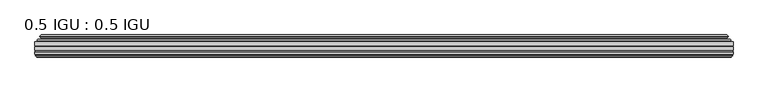
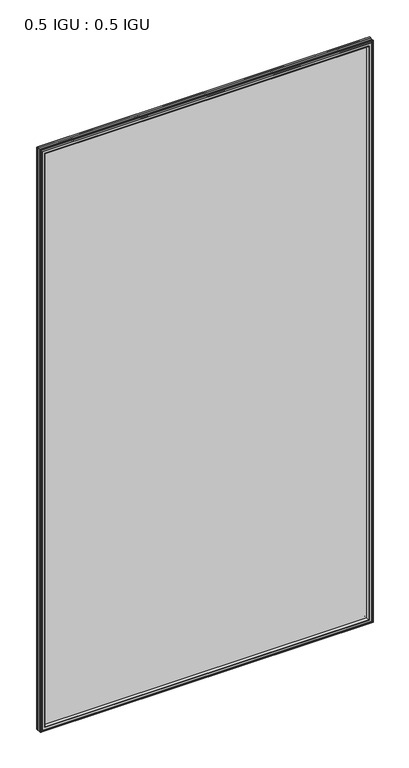
"""IFC4 building model written with IfcOpenShell, lengths in millimetres: plate geometry, 0.5 IGU : 0.5 IGU."""

from ifc_helpers import new_model, si_unit, frame, origin, place, context, project, spatial, polyline, ellipse_curve, outline, extrude, faceted_brep, source, transform, mapped, element, save
from ifc_brep_helpers import plane_surface, cylinder_surface, revolved_surface, advanced_brep


def plate_0_5_igu_0_5_igu_cfa5f9aa(model_context):
    return source(origin(), model_context, "Body", "SolidModel", [
        extrude(outline(polyline([(547.70485, -55.82285), (547.70485, -61.48705), (-547.690675, -61.48705), (-547.690675, -55.82285), (547.70485, -55.82285)])), frame((0.0, 0.0, -14.2875), z_axis=(0.0, 0.0, 1.0), x_axis=(1.0, 0.0, 0.0)), (0.0, 0.0, 1.0), 2025.6537979),
        extrude(outline(polyline([(-547.690675, -69.05625), (-547.690675, -63.39205), (547.70485, -63.39205), (547.70485, -69.05625), (-547.690675, -69.05625)])), frame((0.0, 0.0, -14.2875), z_axis=(0.0, 0.0, 1.0), x_axis=(1.0, 0.0, 0.0)), (0.0, 0.0, 1.0), 2025.6537979),
        advanced_brep(
        [(-543.5881376, -54.3724927, 2007.2599626), (-542.5436128, -51.60645, 2006.2154378), (-542.5436128, -51.60645, -9.1404378), (-543.5881376, -54.3724927, -10.1849626), (-541.951692, -55.82285, 2005.623517), (-541.951692, -55.82285, -8.548517), (-533.403175, -45.63745, 1997.075), (-529.8204511, -55.82285, 1993.4922761), (-529.8204511, -55.82285, 3.5827239), (-533.403175, -45.63745, 0.0), (-538.5890859, -46.8185491, 2002.2609109), (-538.5890859, -46.8185491, -5.1859109), (-537.7920643, -44.8183085, 2001.4638893), (-537.7920643, -44.8183085, -4.3888893), (-540.0757861, -47.135817, 2003.7476111), (-540.0757861, -47.135817, -6.6726111), (-540.0757861, -47.8489429, 2003.7476111), (-540.0757861, -47.8489429, -6.6726111), (-537.7920643, -50.1664515, 2001.4638893), (-537.7920643, -50.1664515, -4.3888893), (-538.5814251, -48.1854367, 2002.2532501), (-538.5814251, -48.1854367, -5.1782501), (-536.0576129, -48.027045, 1999.7294379), (-536.0576129, -48.027045, -2.6544379), (-535.0317967, -48.7147544, 1998.7036217), (-535.0317967, -48.7147544, -1.6286217), (-535.1502038, -50.1092231, 1998.8220288), (-535.1502038, -50.1092231, -1.7470288), (-535.7519498, -51.60645, 1999.4237748), (-535.7519498, -51.60645, -2.3487748), (542.5436128, -51.60645, -9.1404378), (543.5881376, -54.3724927, -10.1849626), (541.951692, -55.82285, -8.548517), (529.8204511, -55.82285, 3.5827239), (533.403175, -45.63745, 0.0), (538.5890859, -46.8185491, -5.1859109), (537.7920643, -44.8183085, -4.3888893), (540.0757861, -47.135817, -6.6726111), (540.0757861, -47.8489429, -6.6726111), (537.7920643, -50.1664515, -4.3888893), (538.5814251, -48.1854367, -5.1782501), (536.0576129, -48.027045, -2.6544379), (535.0317967, -48.7147544, -1.6286217), (535.1502038, -50.1092231, -1.7470288), (535.7519498, -51.60645, -2.3487748), (542.5436128, -51.60645, 2006.2154378), (543.5881376, -54.3724927, 2007.2599626), (541.951692, -55.82285, 2005.623517), (529.8204511, -55.82285, 1993.4922761), (533.403175, -45.63745, 1997.075), (538.5890859, -46.8185491, 2002.2609109), (537.7920643, -44.8183085, 2001.4638893), (540.0757861, -47.135817, 2003.7476111), (540.0757861, -47.8489429, 2003.7476111), (537.7920643, -50.1664515, 2001.4638893), (538.5814251, -48.1854367, 2002.2532501), (536.0576129, -48.027045, 1999.7294379), (535.0317967, -48.7147544, 1998.7036217), (535.1502038, -50.1092231, 1998.8220288), (535.7519498, -51.60645, 1999.4237748)],
        [
            (0, 1, ellipse_curve(frame((-542.5352453, -53.1898501, 2006.2070703), z_axis=(-0.7071067811865475, 0.0, -0.7071067811865475), x_axis=(-0.7071067811865474, 0.0, 0.7071067811865476)), 2.2392971, 1.5834222)),
            (1, 2),
            (2, 3, ellipse_curve(frame((-542.5352453, -53.1898501, -9.1320703), z_axis=(-0.7071067811865475, 0.0, 0.7071067811865475), x_axis=(0.7071067811865474, 0.0, 0.7071067811865476)), 2.2392971, 1.5834222)),
            (3, 0),
            (4, 0),
            (3, 5),
            (5, 4),
            (6, 7, ellipse_curve(frame((-501.123421, -40.0058297, 1964.795246), z_axis=(0.7071067811865475, 0.0, 0.7071067811865475), x_axis=(0.7071067811865474, 0.0, -0.7071067811865476)), 46.3399971, 32.7673262)),
            (7, 8),
            (8, 9, ellipse_curve(frame((-501.123421, -40.0058297, 32.279754), z_axis=(0.7071067811865475, 0.0, -0.7071067811865475), x_axis=(-0.7071067811865474, 0.0, -0.7071067811865476)), 46.3399971, 32.7673262)),
            (9, 6),
            (10, 6),
            (9, 11),
            (11, 10),
            (12, 10),
            (11, 13),
            (13, 12),
            (14, 12),
            (13, 15),
            (15, 14),
            (16, 14, ellipse_curve(frame((-539.7139479, -47.49238, 2003.3857729), z_axis=(-0.7071067811865475, 0.0, -0.7071067811865475), x_axis=(-0.7071067811865474, 0.0, 0.7071067811865476)), 0.7184205, 0.508)),
            (15, 17, ellipse_curve(frame((-539.7139479, -47.49238, -6.3107729), z_axis=(-0.7071067811865475, 0.0, 0.7071067811865475), x_axis=(0.7071067811865474, 0.0, 0.7071067811865476)), 0.7184205, 0.508)),
            (17, 16),
            (18, 16),
            (17, 19),
            (19, 18),
            (20, 18),
            (19, 21),
            (21, 20),
            (22, 20),
            (21, 23),
            (23, 22),
            (24, 22, ellipse_curve(frame((-535.993975, -49.04105, 1999.6658), z_axis=(0.7071067811865475, 0.0, 0.7071067811865475), x_axis=(0.7071067811865474, 0.0, -0.7071067811865476)), 1.436841, 1.016)),
            (23, 25, ellipse_curve(frame((-535.993975, -49.04105, -2.5908), z_axis=(0.7071067811865475, 0.0, -0.7071067811865475), x_axis=(-0.7071067811865474, 0.0, -0.7071067811865476)), 1.436841, 1.016)),
            (25, 24),
            (26, 24, ellipse_curve(frame((-537.365575, -49.21885, 2001.0374), z_axis=(0.7071067811865475, 0.0, 0.7071067811865475), x_axis=(0.7071067811865474, 0.0, -0.7071067811865476)), 3.3765763, 2.3876)),
            (25, 27, ellipse_curve(frame((-537.365575, -49.21885, -3.9624), z_axis=(0.7071067811865475, 0.0, -0.7071067811865475), x_axis=(-0.7071067811865474, 0.0, -0.7071067811865476)), 3.3765763, 2.3876)),
            (27, 26),
            (28, 26),
            (27, 29),
            (29, 28),
            (2, 30),
            (30, 31, ellipse_curve(frame((542.5352453, -53.1898501, -9.1320703), z_axis=(-0.7071067811865475, 0.0, -0.7071067811865475), x_axis=(-0.7071067811865476, 0.0, 0.7071067811865474)), 2.2392971, 1.5834222)),
            (31, 3),
            (31, 32),
            (32, 5),
            (8, 33),
            (33, 34, ellipse_curve(frame((501.123421, -40.0058297, 32.279754), z_axis=(0.7071067811865475, 0.0, 0.7071067811865475), x_axis=(0.7071067811865476, 0.0, -0.7071067811865474)), 46.3399971, 32.7673262)),
            (34, 9),
            (34, 35),
            (35, 11),
            (35, 36),
            (36, 13),
            (36, 37),
            (37, 15),
            (37, 38, ellipse_curve(frame((539.7139479, -47.49238, -6.3107729), z_axis=(-0.7071067811865475, 0.0, -0.7071067811865475), x_axis=(-0.7071067811865476, 0.0, 0.7071067811865474)), 0.7184205, 0.508)),
            (38, 17),
            (38, 39),
            (39, 19),
            (39, 40),
            (40, 21),
            (40, 41),
            (41, 23),
            (41, 42, ellipse_curve(frame((535.993975, -49.04105, -2.5908), z_axis=(0.7071067811865475, 0.0, 0.7071067811865475), x_axis=(0.7071067811865476, 0.0, -0.7071067811865474)), 1.436841, 1.016)),
            (42, 25),
            (42, 43, ellipse_curve(frame((537.365575, -49.21885, -3.9624), z_axis=(0.7071067811865475, 0.0, 0.7071067811865475), x_axis=(0.7071067811865476, 0.0, -0.7071067811865474)), 3.3765763, 2.3876)),
            (43, 27),
            (43, 44),
            (44, 29),
            (30, 45),
            (45, 46, ellipse_curve(frame((542.5352453, -53.1898501, 2006.2070703), z_axis=(0.7071067811865475, 0.0, -0.7071067811865475), x_axis=(-0.7071067811865474, 0.0, -0.7071067811865476)), 2.2392971, 1.5834222)),
            (46, 31),
            (46, 47),
            (47, 32),
            (33, 48),
            (48, 49, ellipse_curve(frame((501.123421, -40.0058297, 1964.795246), z_axis=(-0.7071067811865475, 0.0, 0.7071067811865475), x_axis=(0.7071067811865474, 0.0, 0.7071067811865476)), 46.3399971, 32.7673262)),
            (49, 34),
            (49, 50),
            (50, 35),
            (50, 51),
            (51, 36),
            (51, 52),
            (52, 37),
            (52, 53, ellipse_curve(frame((539.7139479, -47.49238, 2003.3857729), z_axis=(0.7071067811865475, 0.0, -0.7071067811865475), x_axis=(-0.7071067811865474, 0.0, -0.7071067811865476)), 0.7184205, 0.508)),
            (53, 38),
            (53, 54),
            (54, 39),
            (54, 55),
            (55, 40),
            (55, 56),
            (56, 41),
            (56, 57, ellipse_curve(frame((535.993975, -49.04105, 1999.6658), z_axis=(-0.7071067811865475, 0.0, 0.7071067811865475), x_axis=(0.7071067811865474, 0.0, 0.7071067811865476)), 1.436841, 1.016)),
            (57, 42),
            (57, 58, ellipse_curve(frame((537.365575, -49.21885, 2001.0374), z_axis=(-0.7071067811865475, 0.0, 0.7071067811865475), x_axis=(0.7071067811865474, 0.0, 0.7071067811865476)), 3.3765763, 2.3876)),
            (58, 43),
            (58, 59),
            (59, 44),
            (45, 1),
            (0, 46),
            (4, 47),
            (7, 48),
            (6, 49),
            (10, 50),
            (12, 51),
            (14, 52),
            (16, 53),
            (18, 54),
            (20, 55),
            (22, 56),
            (24, 57),
            (26, 58),
            (28, 59),
        ],
        [
            cylinder_surface(frame((-542.5352453, -53.1898501, 2028.825), z_axis=(0.0, 0.0, 1.0), x_axis=(-1.0, 0.0, 0.0)), 1.5834222),
            plane_surface(frame((-543.5881376, -54.3724927, 2007.2599626), z_axis=(-0.6632745773184306, -0.7483761320907135, 0.0), x_axis=(0.0, 0.0, -1.0))),
            revolved_surface(polyline([(-533.8907472, -40.0058297, -0.48757218957507575), (-533.8907472, -40.0058297, 1997.562572189575)]), (-501.123421, -40.0058297, 2028.825), (0.0, 0.0, -1.0)),
            plane_surface(frame((-533.403175, -45.63745, 1997.075), z_axis=(-0.22206498442787428, 0.975031867525902, 0.0), x_axis=(0.0, 0.0, -1.0))),
            plane_surface(frame((-538.5890859, -46.8185491, 2002.2609109), z_axis=(0.928968268563027, -0.37015936568323066, 0.0), x_axis=(0.0, 0.0, -1.0))),
            plane_surface(frame((-537.7920643, -44.8183085, 2001.4638893), z_axis=(-0.7122798501733482, 0.7018955869907096, 0.0), x_axis=(0.0, 0.0, -1.0))),
            cylinder_surface(frame((-539.7139479, -47.49238, 2028.825), z_axis=(0.0, 0.0, 1.0), x_axis=(-1.0, 0.0, 0.0)), 0.508),
            plane_surface(frame((-540.0757861, -47.8489429, 2003.7476111), z_axis=(-0.7122798501732925, -0.701895586990766, 0.0), x_axis=(0.0, 0.0, -1.0))),
            plane_surface(frame((-537.7920643, -50.1664515, 2001.4638893), z_axis=(0.9289682685628707, 0.3701593656836228, 0.0), x_axis=(0.0, 0.0, -1.0))),
            plane_surface(frame((-538.5814251, -48.1854367, 2002.2532501), z_axis=(0.06263570119284978, -0.9980364567169279, 0.0), x_axis=(0.0, 0.0, -1.0))),
            revolved_surface(polyline([(-537.0099749999999, -49.04105, -3.6068000145867245), (-537.0099749999999, -49.04105, 2000.6818000145868)]), (-535.993975, -49.04105, 2028.825), (0.0, 0.0, -1.0)),
            revolved_surface(polyline([(-539.753175, -49.21885, -6.3499999989237494), (-539.753175, -49.21885, 2003.4249999989238)]), (-537.365575, -49.21885, 2028.825), (0.0, 0.0, -1.0)),
            plane_surface(frame((-535.1502038, -50.1092231, 1998.8220288), z_axis=(-0.9278652925428184, 0.3729155385532094, 0.0), x_axis=(0.0, 0.0, -1.0))),
            cylinder_surface(frame((-565.153175, -53.1898501, -9.1320703), z_axis=(-1.0, 0.0, 0.0), x_axis=(0.0, 0.0, -1.0)), 1.5834222),
            plane_surface(frame((-543.5881376, -54.3724927, -10.1849626), z_axis=(0.0, -0.7483761320907157, -0.6632745773184283), x_axis=(1.0, 0.0, 0.0))),
            revolved_surface(polyline([(533.8907471895751, -40.0058297, -0.48757220000000245), (-533.890747189575, -40.0058297, -0.48757220000000245)]), (-565.153175, -40.0058297, 32.279754), (1.0, 0.0, 0.0)),
            plane_surface(frame((-533.403175, -45.63745, 0.0), z_axis=(0.0, 0.9750318675259013, -0.22206498442787745), x_axis=(1.0, 0.0, 0.0))),
            plane_surface(frame((-538.5890859, -46.8185491, -5.1859109), z_axis=(0.0, -0.37015936568322766, 0.9289682685630283), x_axis=(1.0, 0.0, 0.0))),
            plane_surface(frame((-537.7920643, -44.8183085, -4.3888893), z_axis=(0.0, 0.7018955869907073, -0.7122798501733504), x_axis=(1.0, 0.0, 0.0))),
            cylinder_surface(frame((-565.153175, -47.49238, -6.3107729), z_axis=(-1.0, 0.0, 0.0), x_axis=(0.0, 0.0, -1.0)), 0.508),
            plane_surface(frame((-540.0757861, -47.8489429, -6.6726111), z_axis=(0.0, -0.7018955869907684, -0.7122798501732903), x_axis=(1.0, 0.0, 0.0))),
            plane_surface(frame((-537.7920643, -50.1664515, -4.3888893), z_axis=(0.0, 0.37015936568362584, 0.9289682685628696), x_axis=(1.0, 0.0, 0.0))),
            plane_surface(frame((-538.5814251, -48.1854367, -5.1782501), z_axis=(0.0, -0.9980364567169276, 0.06263570119285301), x_axis=(1.0, 0.0, 0.0))),
            revolved_surface(polyline([(537.0099750145868, -49.04105, -3.6068000000000002), (-537.0099750145869, -49.04105, -3.6068000000000002)]), (-565.153175, -49.04105, -2.5908), (1.0, 0.0, 0.0)),
            revolved_surface(polyline([(539.753174998924, -49.21885, -6.35), (-539.7531749989238, -49.21885, -6.35)]), (-565.153175, -49.21885, -3.9624), (1.0, 0.0, 0.0)),
            plane_surface(frame((-535.1502038, -50.1092231, -1.7470288), z_axis=(0.0, 0.3729155385532064, -0.9278652925428196), x_axis=(1.0, 0.0, 0.0))),
            cylinder_surface(frame((542.5352453, -53.1898501, -31.75), z_axis=(0.0, 0.0, -1.0), x_axis=(1.0, 0.0, 0.0)), 1.5834222),
            plane_surface(frame((543.5881376, -54.3724927, -10.1849626), z_axis=(0.6632745773184259, -0.7483761320907178, 0.0), x_axis=(0.0, 0.0, 1.0))),
            revolved_surface(polyline([(533.8907472, -40.0058297, 1997.562572189575), (533.8907472, -40.0058297, -0.48757218957494075)]), (501.123421, -40.0058297, -31.75), (0.0, 0.0, 1.0)),
            plane_surface(frame((533.403175, -45.63745, 0.0), z_axis=(0.22206498442788059, 0.9750318675259005, 0.0), x_axis=(0.0, 0.0, 1.0))),
            plane_surface(frame((538.5890859, -46.8185491, -5.1859109), z_axis=(-0.9289682685630295, -0.37015936568322466, 0.0), x_axis=(0.0, 0.0, 1.0))),
            plane_surface(frame((537.7920643, -44.8183085, -4.3888893), z_axis=(0.7122798501733526, 0.701895586990705, 0.0), x_axis=(0.0, 0.0, 1.0))),
            cylinder_surface(frame((539.7139479, -47.49238, -31.75), z_axis=(0.0, 0.0, -1.0), x_axis=(1.0, 0.0, 0.0)), 0.508),
            plane_surface(frame((540.0757861, -47.8489429, -6.6726111), z_axis=(0.712279850173288, -0.7018955869907706, 0.0), x_axis=(0.0, 0.0, 1.0))),
            plane_surface(frame((537.7920643, -50.1664515, -4.3888893), z_axis=(-0.9289682685628684, 0.37015936568362884, 0.0), x_axis=(0.0, 0.0, 1.0))),
            plane_surface(frame((538.5814251, -48.1854367, -5.1782501), z_axis=(-0.06263570119285625, -0.9980364567169274, 0.0), x_axis=(0.0, 0.0, 1.0))),
            revolved_surface(polyline([(537.0099749999999, -49.04105, 2000.6818000145868), (537.0099749999999, -49.04105, -3.606800014586863)]), (535.993975, -49.04105, -31.75), (0.0, 0.0, 1.0)),
            revolved_surface(polyline([(539.753175, -49.21885, 2003.4249999989238), (539.753175, -49.21885, -6.349999998923781)]), (537.365575, -49.21885, -31.75), (0.0, 0.0, 1.0)),
            plane_surface(frame((535.1502038, -50.1092231, -1.7470288), z_axis=(0.9278652925428208, 0.3729155385532034, 0.0), x_axis=(0.0, 0.0, 1.0))),
            cylinder_surface(frame((565.153175, -53.1898501, 2006.2070703), z_axis=(1.0, 0.0, 0.0), x_axis=(0.0, 0.0, 1.0)), 1.5834222),
            plane_surface(frame((543.5881376, -54.3724927, 2007.2599626), z_axis=(0.0, -0.7483761320907157, 0.6632745773184283), x_axis=(-1.0, 0.0, 0.0))),
            plane_surface(frame((541.951692, -55.82285, 2005.623517), z_axis=(0.0, -1.0, 0.0), x_axis=(-1.0, 0.0, 0.0))),
            revolved_surface(polyline([(-533.8907471895751, -40.0058297, 1997.5625722), (533.890747189575, -40.0058297, 1997.5625722)]), (565.153175, -40.0058297, 1964.795246), (-1.0, 0.0, 0.0)),
            plane_surface(frame((533.403175, -45.63745, 1997.075), z_axis=(0.0, 0.9750318675259012, 0.22206498442787742), x_axis=(-1.0, 0.0, 0.0))),
            plane_surface(frame((538.5890859, -46.8185491, 2002.2609109), z_axis=(0.0, -0.37015936568322766, -0.9289682685630283), x_axis=(-1.0, 0.0, 0.0))),
            plane_surface(frame((537.7920643, -44.8183085, 2001.4638893), z_axis=(0.0, 0.7018955869907073, 0.7122798501733504), x_axis=(-1.0, 0.0, 0.0))),
            cylinder_surface(frame((565.153175, -47.49238, 2003.3857729), z_axis=(1.0, 0.0, 0.0), x_axis=(0.0, 0.0, 1.0)), 0.508),
            plane_surface(frame((540.0757861, -47.8489429, 2003.7476111), z_axis=(0.0, -0.7018955869907684, 0.7122798501732903), x_axis=(-1.0, 0.0, 0.0))),
            plane_surface(frame((537.7920643, -50.1664515, 2001.4638893), z_axis=(0.0, 0.37015936568362584, -0.9289682685628696), x_axis=(-1.0, 0.0, 0.0))),
            plane_surface(frame((538.5814251, -48.1854367, 2002.2532501), z_axis=(0.0, -0.9980364567169276, -0.06263570119285301), x_axis=(-1.0, 0.0, 0.0))),
            revolved_surface(polyline([(-537.0099750145868, -49.04105, 2000.6818), (537.0099750145869, -49.04105, 2000.6818)]), (565.153175, -49.04105, 1999.6658), (-1.0, 0.0, 0.0)),
            revolved_surface(polyline([(-539.753174998924, -49.21885, 2003.425), (539.7531749989238, -49.21885, 2003.425)]), (565.153175, -49.21885, 2001.0374), (-1.0, 0.0, 0.0)),
            plane_surface(frame((535.1502038, -50.1092231, 1998.8220288), z_axis=(0.0, 0.3729155385532064, 0.9278652925428196), x_axis=(-1.0, 0.0, 0.0))),
            plane_surface(frame((535.7519498, -51.60645, 1999.4237748), z_axis=(0.0, 1.0, 0.0), x_axis=(-1.0, 0.0, 0.0))),
        ],
        [
            (0, [[1, 2, 3, 4]]),
            (1, [[5, -4, 6, 7]]),
            (2, [[8, 9, 10, 11]]),
            (3, [[12, -11, 13, 14]]),
            (4, [[15, -14, 16, 17]]),
            (5, [[18, -17, 19, 20]]),
            (6, [[21, -20, 22, 23]]),
            (7, [[24, -23, 25, 26]]),
            (8, [[27, -26, 28, 29]]),
            (9, [[30, -29, 31, 32]]),
            (10, [[33, -32, 34, 35]]),
            (11, [[36, -35, 37, 38]]),
            (12, [[39, -38, 40, 41]]),
            (13, [[-3, 42, 43, 44]]),
            (14, [[-6, -44, 45, 46]]),
            (15, [[-10, 47, 48, 49]]),
            (16, [[-13, -49, 50, 51]]),
            (17, [[-16, -51, 52, 53]]),
            (18, [[-19, -53, 54, 55]]),
            (19, [[-22, -55, 56, 57]]),
            (20, [[-25, -57, 58, 59]]),
            (21, [[-28, -59, 60, 61]]),
            (22, [[-31, -61, 62, 63]]),
            (23, [[-34, -63, 64, 65]]),
            (24, [[-37, -65, 66, 67]]),
            (25, [[-40, -67, 68, 69]]),
            (26, [[-43, 70, 71, 72]]),
            (27, [[-45, -72, 73, 74]]),
            (28, [[-48, 75, 76, 77]]),
            (29, [[-50, -77, 78, 79]]),
            (30, [[-52, -79, 80, 81]]),
            (31, [[-54, -81, 82, 83]]),
            (32, [[-56, -83, 84, 85]]),
            (33, [[-58, -85, 86, 87]]),
            (34, [[-60, -87, 88, 89]]),
            (35, [[-62, -89, 90, 91]]),
            (36, [[-64, -91, 92, 93]]),
            (37, [[-66, -93, 94, 95]]),
            (38, [[-68, -95, 96, 97]]),
            (39, [[-71, 98, -1, 99]]),
            (40, [[-73, -99, -5, 100]]),
            (41, [[-46, -74, -100, -7], [101, -75, -47, -9]]),
            (42, [[-76, -101, -8, 102]]),
            (43, [[-78, -102, -12, 103]]),
            (44, [[-80, -103, -15, 104]]),
            (45, [[-82, -104, -18, 105]]),
            (46, [[-84, -105, -21, 106]]),
            (47, [[-86, -106, -24, 107]]),
            (48, [[-88, -107, -27, 108]]),
            (49, [[-90, -108, -30, 109]]),
            (50, [[-92, -109, -33, 110]]),
            (51, [[-94, -110, -36, 111]]),
            (52, [[-96, -111, -39, 112]]),
            (53, [[-98, -70, -42, -2], [-69, -97, -112, -41]]),
        ],
    ),
        faceted_brep([(-529.5489577, -69.05625, 1993.2207827), (-532.1152548, -77.94625, 1995.7870798), (-532.1152548, -77.94625, 1.2879202), (-529.5489577, -69.05625, 3.8542173), (-547.703375, -71.2633102, 2011.3752), (-545.4963148, -69.05625, 2009.1681398), (-545.4963148, -69.05625, -12.0931398), (-547.703375, -71.2633102, -14.3002), (-547.703375, -75.40625, 2011.3752), (-547.703375, -75.40625, -14.3002), (-545.2843525, -76.58989, 2008.9561775), (-546.153975, -75.40625, 2009.8258), (-546.153975, -75.40625, -12.7508), (-545.2843525, -76.58989, -11.8811775), (-545.087175, -77.8875884, 2008.759), (-545.087175, -77.8875884, -11.684), (-546.062835, -77.3578917, 2009.73466), (-546.062835, -77.3578917, -12.65966), (-544.528375, -79.1749663, 2008.2002), (-546.8555055, -77.3578917, 2010.5273305), (-546.8555055, -77.3578917, -13.4523305), (-544.528375, -79.1749663, -11.1252), (-542.2012445, -77.3578917, 2005.8730695), (-542.2012445, -77.3578917, -8.7980695), (-543.969575, -77.8875884, 2007.6414), (-542.993915, -77.3578917, 2006.66574), (-542.993915, -77.3578917, -9.59074), (-543.969575, -77.8875884, -10.5664), (-543.7723975, -76.58989, 2007.4442225), (-543.7723975, -76.58989, -10.3692225), (-542.902775, -75.40625, 2006.5746), (-542.902775, -75.40625, -9.4996), (-533.7545417, -77.94625, 1997.4263667), (-533.225375, -75.40625, 1996.8972), (-533.225375, -75.40625, 0.1778), (-533.7545417, -77.94625, -0.3513667), (532.1152548, -77.94625, 1.2879202), (529.5489577, -69.05625, 3.8542173), (545.4963148, -69.05625, -12.0931398), (547.703375, -71.2633102, -14.3002), (547.703375, -75.40625, -14.3002), (546.153975, -75.40625, -12.7508), (545.2843525, -76.58989, -11.8811775), (545.087175, -77.8875884, -11.684), (546.062835, -77.3578917, -12.65966), (546.8555055, -77.3578917, -13.4523305), (544.528375, -79.1749663, -11.1252), (542.2012445, -77.3578917, -8.7980695), (542.993915, -77.3578917, -9.59074), (543.969575, -77.8875884, -10.5664), (543.7723975, -76.58989, -10.3692225), (542.902775, -75.40625, -9.4996), (533.225375, -75.40625, 0.1778), (533.7545417, -77.94625, -0.3513667), (532.1152548, -77.94625, 1995.7870798), (529.5489577, -69.05625, 1993.2207827), (545.4963148, -69.05625, 2009.1681398), (547.703375, -71.2633102, 2011.3752), (547.703375, -75.40625, 2011.3752), (546.153975, -75.40625, 2009.8258), (545.2843525, -76.58989, 2008.9561775), (545.087175, -77.8875884, 2008.759), (546.062835, -77.3578917, 2009.73466), (546.8555055, -77.3578917, 2010.5273305), (544.528375, -79.1749663, 2008.2002), (542.2012445, -77.3578917, 2005.8730695), (542.993915, -77.3578917, 2006.66574), (543.969575, -77.8875884, 2007.6414), (543.7723975, -76.58989, 2007.4442225), (542.902775, -75.40625, 2006.5746), (533.225375, -75.40625, 1996.8972), (533.7545417, -77.94625, 1997.4263667)], [[[0, 1, 2, 3]], [[4, 5, 6, 7]], [[8, 4, 7, 9]], [[10, 11, 12, 13]], [[14, 10, 13, 15]], [[16, 14, 15, 17]], [[18, 19, 20, 21]], [[22, 18, 21, 23]], [[24, 25, 26, 27]], [[28, 24, 27, 29]], [[30, 28, 29, 31]], [[32, 33, 34, 35]], [[3, 2, 36, 37]], [[7, 6, 38, 39]], [[9, 7, 39, 40]], [[13, 12, 41, 42]], [[15, 13, 42, 43]], [[17, 15, 43, 44]], [[21, 20, 45, 46]], [[23, 21, 46, 47]], [[27, 26, 48, 49]], [[29, 27, 49, 50]], [[31, 29, 50, 51]], [[35, 34, 52, 53]], [[37, 36, 54, 55]], [[39, 38, 56, 57]], [[40, 39, 57, 58]], [[42, 41, 59, 60]], [[43, 42, 60, 61]], [[44, 43, 61, 62]], [[46, 45, 63, 64]], [[47, 46, 64, 65]], [[49, 48, 66, 67]], [[50, 49, 67, 68]], [[51, 50, 68, 69]], [[53, 52, 70, 71]], [[55, 54, 1, 0]], [[5, 56, 38, 6], [3, 37, 55, 0]], [[57, 56, 5, 4]], [[58, 57, 4, 8]], [[9, 40, 58, 8], [11, 59, 41, 12]], [[60, 59, 11, 10]], [[61, 60, 10, 14]], [[62, 61, 14, 16]], [[19, 63, 45, 20], [17, 44, 62, 16]], [[64, 63, 19, 18]], [[65, 64, 18, 22]], [[25, 66, 48, 26], [23, 47, 65, 22]], [[67, 66, 25, 24]], [[68, 67, 24, 28]], [[69, 68, 28, 30]], [[31, 51, 69, 30], [33, 70, 52, 34]], [[71, 70, 33, 32]], [[35, 53, 71, 32], [1, 54, 36, 2]]]),
    ])


if __name__ == "__main__":
    model = new_model("IFC4")
    model_context = context("Model", 3, world=origin())
    ifc_project = project(units=[si_unit("LENGTHUNIT", "METRE", prefix="MILLI")], contexts=[model_context])
    site = spatial("IfcSite", under=ifc_project)
    building = spatial("IfcBuilding", under=site)
    placement = place(None, origin())
    plate_0_5_igu_0_5_igu_shape = plate_0_5_igu_0_5_igu_cfa5f9aa(model_context)
    element("IfcPlate", 1, ObjectType="0.5 IGU : 0.5 IGU", at=placement, inside=building, context=model_context, shape_type="MappedRepresentation", body=[
        mapped(plate_0_5_igu_0_5_igu_shape, transform((0.0, 0.0, 0.0), x_axis=(1.0, 0.0, 0.0), y_axis=(0.0, 1.0, 0.0), z_axis=(0.0, 0.0, 1.0))),
    ])
    save(model, "model.ifc")
